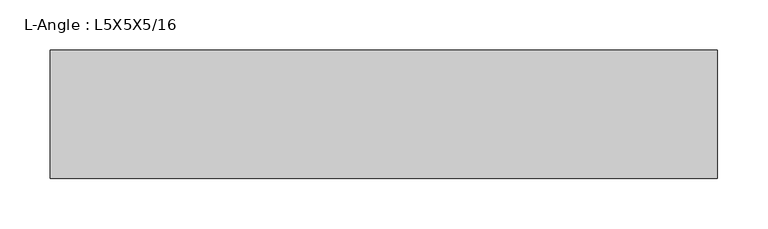
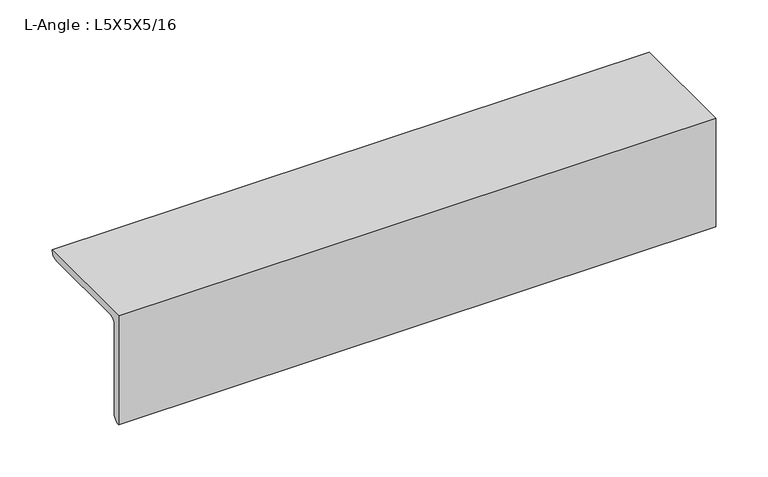
"""IFC4 building model written with IfcOpenShell, lengths in millimetres: beam geometry, L-Angle : L5X5X5/16."""

from ifc_helpers import new_model, si_unit, point, frame, frame_2d, origin, place, context, project, spatial, polyline, circle_curve, trimmed, segment, composite_curve, outline, extrude, source, transform, mapped, element, save


def l_angle_l5x5x5_16_0b35cd62(model_context):
    return source(origin(), model_context, "Body", "SweptSolid", [
        extrude(outline(composite_curve([segment(polyline([(-34.3296875, 34.3296875), (92.6703125, 34.3296875)]), True, "CONTINUOUS"), segment(trimmed(circle_curve(frame_2d((84.7328125, 34.3296875)), 7.9375), [point((92.6703125, 34.3296875))], [point((84.7328125, 26.3921875))], False, "CARTESIAN"), True, "CONTINUOUS"), segment(polyline([(84.7328125, 26.3921875), (-18.4546875, 26.3921875)]), True, "CONTINUOUS"), segment(trimmed(circle_curve(frame_2d((-18.4546875, 18.4546875)), 7.9375), [point((-18.4546875, 26.3921875))], [point((-26.3921875, 18.4546875))], True, "CARTESIAN"), True, "CONTINUOUS"), segment(polyline([(-26.3921875, 18.4546875), (-26.3921875, -84.7328125)]), True, "CONTINUOUS"), segment(trimmed(circle_curve(frame_2d((-34.3296875, -84.7328125)), 7.9375), [point((-26.3921875, -84.7328125))], [point((-34.3296875, -92.6703125))], False, "CARTESIAN"), True, "CONTINUOUS"), segment(polyline([(-34.3296875, -92.6703125), (-34.3296875, 34.3296875)]), True, "CONTINUOUS")], self_intersect=False)), frame((-359.3703125, 0.0, 0.0), z_axis=(1.0, 0.0, 0.0), x_axis=(0.0, 1.0, 0.0)), (0.0, 0.0, 1.0), 660.4),
    ])


if __name__ == "__main__":
    model = new_model("IFC4")
    model_context = context("Model", 3, world=origin())
    ifc_project = project(units=[si_unit("LENGTHUNIT", "METRE", prefix="MILLI")], contexts=[model_context])
    site = spatial("IfcSite", under=ifc_project)
    building = spatial("IfcBuilding", under=site)
    placement = place(None, origin())
    l_angle_l5x5x5_16_shape = l_angle_l5x5x5_16_0b35cd62(model_context)
    element("IfcBeam", 1, ObjectType="L-Angle : L5X5X5/16", at=placement, inside=building, context=model_context, shape_type="MappedRepresentation", body=[
        mapped(l_angle_l5x5x5_16_shape, transform((0.0, 0.0, 0.0), x_axis=(1.0, 0.0, 0.0), y_axis=(0.0, 1.0, 0.0), z_axis=(0.0, 0.0, 1.0))),
    ])
    save(model, "model.ifc")
